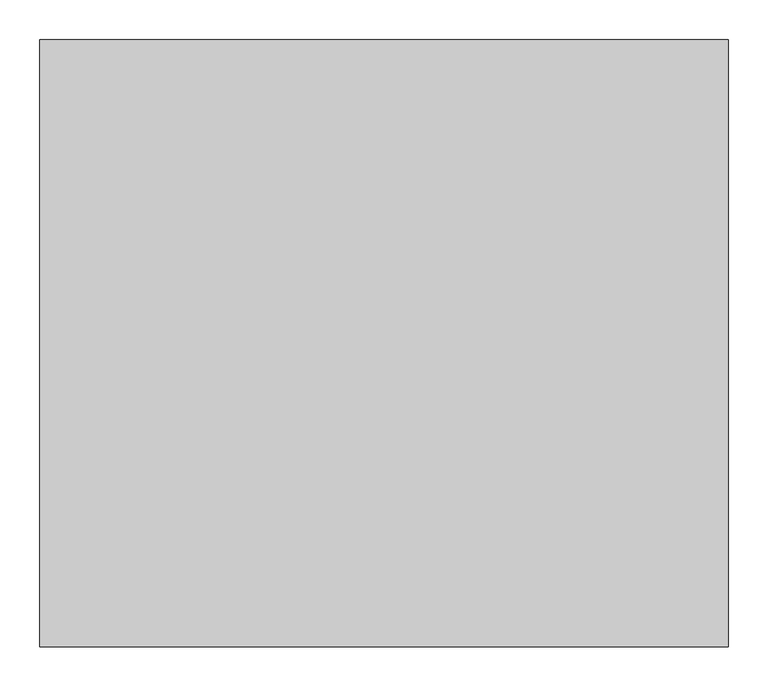
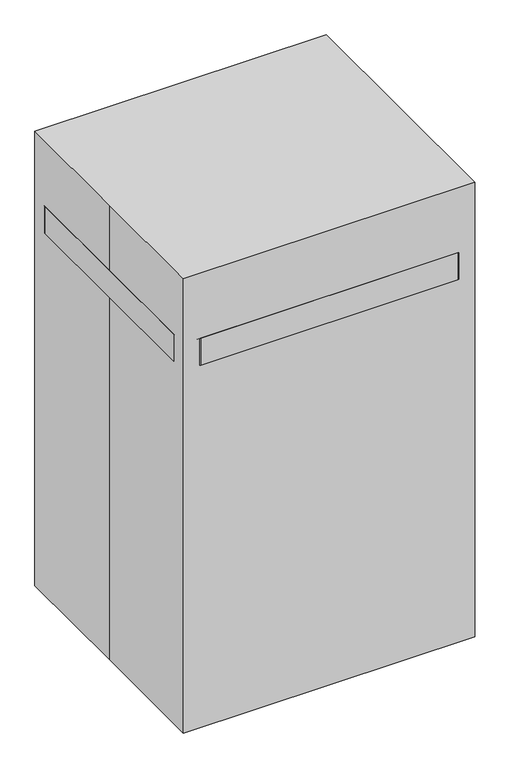
"""IFC4 building model written with IfcOpenShell, lengths in millimetres: proxy geometry."""

import ifcopenshell
import ifcopenshell.guid

model = None  # the IFC model being written
_history = None  # IfcOwnerHistory: only IFC2X3 demands one
_inside = {}  # id of a spatial element -> (the spatial element, [elements in it])
_under = {}  # id of a project, library or spatial element -> (it, [spatial elements below it])
_declared = {}  # id of a project -> (the project, [libraries it declares])
_typed = {}  # id of a type object -> (the type object, [elements of that type])
_made_of = {}  # id of a material, layer set ... -> (it, [elements and type objects made of it])


def new_model(schema):
    """Start an empty IFC model of exactly this schema.

    Asked for "IFC4X3", IfcOpenShell would pick the latest addendum, in which some entities
    have other attributes; the version numbers below select the first issue.
    IFC2X3 requires an IfcOwnerHistory on every rooted entity: one is made here for all.
    """
    global model, _history
    if schema == "IFC4X3":
        model = ifcopenshell.file(schema_version=(4, 3, 0, 0))
    else:
        model = ifcopenshell.file(schema=schema)
    _inside.clear()
    _under.clear()
    _declared.clear()
    _typed.clear()
    _made_of.clear()
    _history = None
    if model.schema == "IFC2X3":
        org = make("IfcOrganization", Name="unknown")
        user = make(
            "IfcPersonAndOrganization",
            ThePerson=make("IfcPerson", FamilyName="unknown"),
            TheOrganization=org,
        )
        app = make(
            "IfcApplication",
            ApplicationDeveloper=org,
            Version="unknown",
            ApplicationFullName="unknown",
            ApplicationIdentifier="unknown",
        )
        _history = make(
            "IfcOwnerHistory",
            OwningUser=user,
            OwningApplication=app,
            ChangeAction="ADDED",
            CreationDate=0,
        )
    return model


def make(cls, **values):
    """One entity of the class cls with the attributes given. An attribute that is None is left unset."""
    return model.create_entity(
        cls, **{name: value for name, value in values.items() if value is not None}
    )


def rooted(cls, **values):
    """An entity with a GlobalId (a new one), such as an element, a storey or a relation."""
    return make(cls, GlobalId=ifcopenshell.guid.new(), OwnerHistory=_history, **values)


def si_unit(unit_type, name, prefix=None):
    """IfcSIUnit, for example si_unit("LENGTHUNIT", "METRE", prefix="MILLI")."""
    return make("IfcSIUnit", UnitType=unit_type, Prefix=prefix, Name=name)


def assignment(units):
    """IfcUnitAssignment: the units of a project."""
    return None if units is None else make("IfcUnitAssignment", Units=units)


def point(xyz):
    """IfcCartesianPoint."""
    return None if xyz is None else make("IfcCartesianPoint", Coordinates=xyz)


def direction(xyz):
    """IfcDirection."""
    return None if xyz is None else make("IfcDirection", DirectionRatios=xyz)


def frame(location, z_axis=None, x_axis=None):
    """IfcAxis2Placement3D, a coordinate frame: its origin and axes. An axis left out is left unset."""
    return make(
        "IfcAxis2Placement3D",
        Location=point(location),
        Axis=direction(z_axis),
        RefDirection=direction(x_axis),
    )


def frame_2d(location, x_axis=None):
    """IfcAxis2Placement2D, a coordinate frame in the plane: its origin and x axis."""
    return make(
        "IfcAxis2Placement2D", Location=point(location), RefDirection=direction(x_axis)
    )


def origin():
    """The frame at (0, 0, 0) with its axes left unset."""
    return frame((0.0, 0.0, 0.0))


def origin_with_axes():
    """The frame at (0, 0, 0) with the z axis (0, 0, 1) and the x axis (1, 0, 0) written out."""
    return frame((0.0, 0.0, 0.0), z_axis=(0.0, 0.0, 1.0), x_axis=(1.0, 0.0, 0.0))


def place(relative_to, where):
    """IfcLocalPlacement: puts the frame where relative to a parent placement (None: the world)."""
    return make(
        "IfcLocalPlacement", PlacementRelTo=relative_to, RelativePlacement=where
    )


def context(
    kind, dimensions, precision=None, world=None, true_north=None, identifier=None
):
    """IfcGeometricRepresentationContext, for example the 3D "Model" context."""
    return make(
        "IfcGeometricRepresentationContext",
        ContextIdentifier=identifier,
        ContextType=kind,
        CoordinateSpaceDimension=dimensions,
        Precision=precision,
        WorldCoordinateSystem=world,
        TrueNorth=true_north,
    )


def project(units=None, contexts=None):
    """IfcProject with its units and contexts."""
    return rooted(
        "IfcProject",
        Name="project",
        RepresentationContexts=contexts,
        UnitsInContext=assignment(units),
    )


def spatial(cls, under=None, at=None, **own):
    """A site, building, storey or space (cls), placed at a placement, below another one or the project."""
    s = rooted(cls, ObjectPlacement=at, **own)
    if under is not None:
        _under.setdefault(under.id(), (under, []))[1].append(s)
    return s


def polyline(points):
    """IfcPolyline through the points."""
    return make("IfcPolyline", Points=[point(p) for p in points])


def circle_curve(where, radius):
    """IfcCircle in the frame where."""
    return make("IfcCircle", Position=where, Radius=radius)


def trimmed(basis, trim1, trim2, sense, master):
    """IfcTrimmedCurve: the piece of a basis curve between two trims."""
    return make(
        "IfcTrimmedCurve",
        BasisCurve=basis,
        Trim1=trim1,
        Trim2=trim2,
        SenseAgreement=sense,
        MasterRepresentation=master,
    )


def segment(curve, same_sense, transition):
    """IfcCompositeCurveSegment."""
    return make(
        "IfcCompositeCurveSegment",
        Transition=transition,
        SameSense=same_sense,
        ParentCurve=curve,
    )


def composite_curve(segments, self_intersect=None):
    """IfcCompositeCurve: segments joined end to end."""
    return make("IfcCompositeCurve", Segments=segments, SelfIntersect=self_intersect)


def outline(outer, holes=None, kind="AREA"):
    """IfcArbitraryClosedProfileDef: a profile drawn as a closed curve; with holes, ...WithVoids."""
    if holes is None:
        return make("IfcArbitraryClosedProfileDef", ProfileType=kind, OuterCurve=outer)
    return make(
        "IfcArbitraryProfileDefWithVoids",
        ProfileType=kind,
        OuterCurve=outer,
        InnerCurves=holes,
    )


def extrude(swept, where, along, depth):
    """IfcExtrudedAreaSolid: the profile swept, set in the frame where, extruded along a direction by depth."""
    return make(
        "IfcExtrudedAreaSolid",
        SweptArea=swept,
        Position=where,
        ExtrudedDirection=direction(along),
        Depth=depth,
    )


def shape(context_of_items, identifier, shape_type, items):
    """IfcShapeRepresentation: the items that make up one representation, for example the "Body"."""
    return make(
        "IfcShapeRepresentation",
        ContextOfItems=context_of_items,
        RepresentationIdentifier=identifier,
        RepresentationType=shape_type,
        Items=items,
    )


def source(mapping_origin, context_of_items, identifier, shape_type, items):
    """IfcRepresentationMap: a shape defined once, which mapped items show again and again."""
    return make(
        "IfcRepresentationMap",
        MappingOrigin=mapping_origin,
        MappedRepresentation=shape(context_of_items, identifier, shape_type, items),
    )


def transform(
    local_origin,
    x_axis=None,
    y_axis=None,
    z_axis=None,
    scale=None,
    scale2=None,
    scale3=None,
    uniform=True,
):
    """IfcCartesianTransformationOperator3D, or its non-uniform kind. x_axis, y_axis, z_axis: its Axis1, 2, 3."""
    if uniform:
        return make(
            "IfcCartesianTransformationOperator3D",
            Axis1=direction(x_axis),
            Axis2=direction(y_axis),
            LocalOrigin=point(local_origin),
            Scale=scale,
            Axis3=direction(z_axis),
        )
    return make(
        "IfcCartesianTransformationOperator3DnonUniform",
        Axis1=direction(x_axis),
        Axis2=direction(y_axis),
        LocalOrigin=point(local_origin),
        Scale=scale,
        Axis3=direction(z_axis),
        Scale2=scale2,
        Scale3=scale3,
    )


def mapped(mapping_source, mapping_target):
    """IfcMappedItem: shows the shape of a source again, moved by a transform."""
    return make(
        "IfcMappedItem", MappingSource=mapping_source, MappingTarget=mapping_target
    )


def made_of(thing, what):
    """Note that an element or type object is made of a material, layer set ...; save() writes the relation."""
    if what is not None:
        _made_of.setdefault(what.id(), (what, []))[1].append(thing)
    return thing


def element(
    cls,
    number,
    at=None,
    inside=None,
    cuts=None,
    type_object=None,
    material=None,
    context=None,
    identifier="Body",
    shape_type=None,
    held_by="IfcProductDefinitionShape",
    body=None,
    shapes=None,
    **own,
):
    """One element of the class cls, such as IfcWall. Its Tag is "e" and its number.

    at: its placement. inside: the storey or other place that contains it. cuts: it is an
    opening in that element (IfcRelVoidsElement). A single representation is given by context,
    identifier, shape_type and body (its items); several are given by shapes. held_by: the class
    of the entity that holds the representations. save() writes the other relations.
    """
    e = rooted(cls, Tag="e%d" % number, ObjectPlacement=at, **own)
    if body is not None:
        shapes = [shape(context, identifier, shape_type, body)]
    if shapes is not None:
        e.Representation = make(held_by, Representations=shapes)
    if inside is not None:
        _inside.setdefault(inside.id(), (inside, []))[1].append(e)
    if cuts is not None:
        rooted(
            "IfcRelVoidsElement", RelatingBuildingElement=cuts, RelatedOpeningElement=e
        )
    if type_object is not None:
        _typed.setdefault(type_object.id(), (type_object, []))[1].append(e)
    return made_of(e, material)


def aggregate(whole, parts):
    """IfcRelAggregates: a whole, such as a stair, and the parts it consists of."""
    return rooted("IfcRelAggregates", RelatingObject=whole, RelatedObjects=parts)


def save(model, path):
    """Write the relations noted so far, then the file.

    IfcRelAggregates (storeys below a building ...), IfcRelContainedInSpatialStructure (elements
    in a storey), IfcRelDefinesByType, IfcRelAssociatesMaterial and IfcRelDeclares: one each for
    every whole, place, type object, material and project.
    """
    for whole, parts in _under.values():
        aggregate(whole, parts)
    for where, things in _inside.values():
        rooted(
            "IfcRelContainedInSpatialStructure",
            RelatedElements=things,
            RelatingStructure=where,
        )
    for kind, things in _typed.values():
        rooted("IfcRelDefinesByType", RelatedObjects=things, RelatingType=kind)
    for what, things in _made_of.values():
        rooted("IfcRelAssociatesMaterial", RelatedObjects=things, RelatingMaterial=what)
    for by, libraries in _declared.values():
        rooted("IfcRelDeclares", RelatingContext=by, RelatedDefinitions=libraries)
    model.write(path)


def specialty_equipment_2a4dddcc(model_context):
    return source(origin(), model_context, "Body", "SweptSolid", [
        extrude(outline(polyline([(374.65, -31.75), (311.15, -31.75), (311.15, 31.75), (374.65, 31.75), (374.65, -31.75)])), frame((0.0, 0.0, 171.69085), z_axis=(0.0, 0.0, 1.0), x_axis=(1.0, 0.0, 0.0)), (0.0, 0.0, 1.0), 277.1108167),
        extrude(outline(polyline([(381.0, -38.1), (304.8, -38.1), (304.8, 38.1), (381.0, 38.1), (381.0, -38.1)])), frame((0.0, 0.0, 448.8016667), z_axis=(0.0, 0.0, 1.0), x_axis=(1.0, 0.0, 0.0)), (0.0, 0.0, 1.0), 609.6),
        extrude(outline(polyline([(374.65, -311.15), (311.15, -311.15), (311.15, 308.1882821), (374.65, 308.1882821), (374.65, -311.15)])), frame((0.0, 0.0, 108.19085), z_axis=(0.0, 0.0, 1.0), x_axis=(1.0, 0.0, 0.0)), (0.0, 0.0, 1.0), 63.5),
        extrude(outline(polyline([(-311.15, -31.75), (-374.65, -31.75), (-374.65, 31.75), (-311.15, 31.75), (-311.15, -31.75)])), frame((0.0, 0.0, 171.69085), z_axis=(0.0, 0.0, 1.0), x_axis=(1.0, 0.0, 0.0)), (0.0, 0.0, 1.0), 277.1108167),
        extrude(outline(polyline([(-304.8, -38.1), (-381.0, -38.1), (-381.0, 38.1), (-304.8, 38.1), (-304.8, -38.1)])), frame((0.0, 0.0, 448.8016667), z_axis=(0.0, 0.0, 1.0), x_axis=(1.0, 0.0, 0.0)), (0.0, 0.0, 1.0), 609.6),
        extrude(outline(polyline([(-311.15, -311.15), (-374.65, -311.15), (-374.65, 308.1882821), (-311.15, 308.1882821), (-311.15, -311.15)])), frame((0.0, 0.0, 108.19085), z_axis=(0.0, 0.0, 1.0), x_axis=(1.0, 0.0, 0.0)), (0.0, 0.0, 1.0), 63.5),
        extrude(outline(composite_curve([segment(trimmed(circle_curve(frame_2d((50.8, -325.9666667)), 50.8), [point((50.8, -376.7666667))], [point((50.8, -275.1666667))], False, "CARTESIAN"), True, "CONTINUOUS"), segment(trimmed(circle_curve(frame_2d((50.8, -325.9666667)), 50.8), [point((50.8, -275.1666667))], [point((50.8, -376.7666667))], False, "CARTESIAN"), True, "CONTINUOUS")], self_intersect=False)), frame((0.0, -273.05, 0.0), z_axis=(0.0, 1.0, 0.0), x_axis=(0.0, 0.0, 1.0)), (0.0, 0.0, 1.0), 19.05),
        extrude(outline(composite_curve([segment(trimmed(circle_curve(frame_2d((50.8, -325.9666667)), 50.8), [point((50.8, -376.7666667))], [point((50.8, -275.1666667))], False, "CARTESIAN"), True, "CONTINUOUS"), segment(trimmed(circle_curve(frame_2d((50.8, -325.9666667)), 50.8), [point((50.8, -275.1666667))], [point((50.8, -376.7666667))], False, "CARTESIAN"), True, "CONTINUOUS")], self_intersect=False)), frame((0.0, -330.2, 0.0), z_axis=(0.0, 1.0, 0.0), x_axis=(0.0, 0.0, 1.0)), (0.0, 0.0, 1.0), 19.05),
        extrude(outline(composite_curve([segment(trimmed(circle_curve(frame_2d((-342.9, -292.1)), 16.9333333), [point((-342.9, -309.0333333))], [point((-342.9, -275.1666667))], False, "CARTESIAN"), True, "CONTINUOUS"), segment(trimmed(circle_curve(frame_2d((-342.9, -292.1)), 16.9333333), [point((-342.9, -275.1666667))], [point((-342.9, -309.0333333))], False, "CARTESIAN"), True, "CONTINUOUS")], self_intersect=False)), frame((0.0, 0.0, 50.8), z_axis=(0.0, 0.0, 1.0), x_axis=(1.0, 0.0, 0.0)), (0.0, 0.0, 1.0), 57.39085),
        extrude(outline(composite_curve([segment(trimmed(circle_curve(frame_2d((50.8, -325.9666667)), 33.8666667), [point((50.8, -292.1))], [point((50.8, -359.8333333))], False, "CARTESIAN"), True, "CONTINUOUS"), segment(trimmed(circle_curve(frame_2d((50.8, -325.9666667)), 33.8666667), [point((50.8, -359.8333333))], [point((50.8, -292.1))], False, "CARTESIAN"), True, "CONTINUOUS")], self_intersect=False)), frame((0.0, -311.15, 0.0), z_axis=(0.0, 1.0, 0.0), x_axis=(0.0, 0.0, 1.0)), (0.0, 0.0, 1.0), 38.1),
        extrude(outline(composite_curve([segment(trimmed(circle_curve(frame_2d((50.8, -325.9666667)), 50.8), [point((50.8, -376.7666667))], [point((50.8, -275.1666667))], False, "CARTESIAN"), True, "CONTINUOUS"), segment(trimmed(circle_curve(frame_2d((50.8, -325.9666667)), 50.8), [point((50.8, -275.1666667))], [point((50.8, -376.7666667))], False, "CARTESIAN"), True, "CONTINUOUS")], self_intersect=False)), frame((0.0, 251.0382821, 0.0), z_axis=(0.0, 1.0, 0.0), x_axis=(0.0, 0.0, 1.0)), (0.0, 0.0, 1.0), 19.05),
        extrude(outline(composite_curve([segment(trimmed(circle_curve(frame_2d((50.8, -325.9666667)), 50.8), [point((50.8, -376.7666667))], [point((50.8, -275.1666667))], False, "CARTESIAN"), True, "CONTINUOUS"), segment(trimmed(circle_curve(frame_2d((50.8, -325.9666667)), 50.8), [point((50.8, -275.1666667))], [point((50.8, -376.7666667))], False, "CARTESIAN"), True, "CONTINUOUS")], self_intersect=False)), frame((0.0, 308.1882821, 0.0), z_axis=(0.0, 1.0, 0.0), x_axis=(0.0, 0.0, 1.0)), (0.0, 0.0, 1.0), 19.05),
        extrude(outline(composite_curve([segment(trimmed(circle_curve(frame_2d((-342.9, 288.925)), 16.9333333), [point((-342.9, 305.8583333))], [point((-342.9, 271.9916667))], False, "CARTESIAN"), True, "CONTINUOUS"), segment(trimmed(circle_curve(frame_2d((-342.9, 288.925)), 16.9333333), [point((-342.9, 271.9916667))], [point((-342.9, 305.8583333))], False, "CARTESIAN"), True, "CONTINUOUS")], self_intersect=False)), frame((0.0, 0.0, 50.8), z_axis=(0.0, 0.0, 1.0), x_axis=(1.0, 0.0, 0.0)), (0.0, 0.0, 1.0), 57.39085),
        extrude(outline(composite_curve([segment(trimmed(circle_curve(frame_2d((50.8, -325.9666667)), 33.8666667), [point((50.8, -292.1))], [point((50.8, -359.8333333))], False, "CARTESIAN"), True, "CONTINUOUS"), segment(trimmed(circle_curve(frame_2d((50.8, -325.9666667)), 33.8666667), [point((50.8, -359.8333333))], [point((50.8, -292.1))], False, "CARTESIAN"), True, "CONTINUOUS")], self_intersect=False)), frame((0.0, 270.0882821, 0.0), z_axis=(0.0, 1.0, 0.0), x_axis=(0.0, 0.0, 1.0)), (0.0, 0.0, 1.0), 38.1),
        extrude(outline(polyline([(381.0, -254.0), (304.8, -254.0), (304.8, 251.0382821), (381.0, 251.0382821), (381.0, -254.0)])), frame((0.0, 0.0, 1058.4016667), z_axis=(0.0, 0.0, 1.0), x_axis=(1.0, 0.0, 0.0)), (0.0, 0.0, 1.0), 76.2),
        extrude(outline(polyline([(-304.8, -254.0), (-381.0, -254.0), (-381.0, 251.0382821), (-304.8, 251.0382821), (-304.8, -254.0)])), frame((0.0, 0.0, 1058.4016667), z_axis=(0.0, 0.0, 1.0), x_axis=(1.0, 0.0, 0.0)), (0.0, 0.0, 1.0), 76.2),
        extrude(outline(polyline([(381.0, -254.0), (381.0, -330.2), (-381.0, -330.2), (-381.0, -254.0), (381.0, -254.0)])), frame((0.0, 0.0, 1058.4016667), z_axis=(0.0, 0.0, 1.0), x_axis=(1.0, 0.0, 0.0)), (0.0, 0.0, 1.0), 76.2),
        extrude(outline(polyline([(381.0, 327.2382821), (381.0, 251.0382821), (-381.0, 251.0382821), (-381.0, 327.2382821), (381.0, 327.2382821)])), frame((0.0, 0.0, 1058.4016667), z_axis=(0.0, 0.0, 1.0), x_axis=(1.0, 0.0, 0.0)), (0.0, 0.0, 1.0), 76.2),
        extrude(outline(composite_curve([segment(trimmed(circle_curve(frame_2d((50.8, 325.9666667)), 50.8), [point((50.8, 376.7666667))], [point((50.8, 275.1666667))], False, "CARTESIAN"), True, "CONTINUOUS"), segment(trimmed(circle_curve(frame_2d((50.8, 325.9666667)), 50.8), [point((50.8, 275.1666667))], [point((50.8, 376.7666667))], False, "CARTESIAN"), True, "CONTINUOUS")], self_intersect=False)), frame((0.0, -273.05, 0.0), z_axis=(0.0, 1.0, 0.0), x_axis=(0.0, 0.0, 1.0)), (0.0, 0.0, 1.0), 19.05),
        extrude(outline(composite_curve([segment(trimmed(circle_curve(frame_2d((50.8, 325.9666667)), 50.8), [point((50.8, 376.7666667))], [point((50.8, 275.1666667))], False, "CARTESIAN"), True, "CONTINUOUS"), segment(trimmed(circle_curve(frame_2d((50.8, 325.9666667)), 50.8), [point((50.8, 275.1666667))], [point((50.8, 376.7666667))], False, "CARTESIAN"), True, "CONTINUOUS")], self_intersect=False)), frame((0.0, -330.2, 0.0), z_axis=(0.0, 1.0, 0.0), x_axis=(0.0, 0.0, 1.0)), (0.0, 0.0, 1.0), 19.05),
        extrude(outline(composite_curve([segment(trimmed(circle_curve(frame_2d((342.9, -292.1)), 16.9333333), [point((342.9, -309.0333333))], [point((342.9, -275.1666667))], False, "CARTESIAN"), True, "CONTINUOUS"), segment(trimmed(circle_curve(frame_2d((342.9, -292.1)), 16.9333333), [point((342.9, -275.1666667))], [point((342.9, -309.0333333))], False, "CARTESIAN"), True, "CONTINUOUS")], self_intersect=False)), frame((0.0, 0.0, 50.8), z_axis=(0.0, 0.0, 1.0), x_axis=(1.0, 0.0, 0.0)), (0.0, 0.0, 1.0), 57.39085),
        extrude(outline(composite_curve([segment(trimmed(circle_curve(frame_2d((50.8, 325.9666667)), 33.8666667), [point((50.8, 292.1))], [point((50.8, 359.8333333))], False, "CARTESIAN"), True, "CONTINUOUS"), segment(trimmed(circle_curve(frame_2d((50.8, 325.9666667)), 33.8666667), [point((50.8, 359.8333333))], [point((50.8, 292.1))], False, "CARTESIAN"), True, "CONTINUOUS")], self_intersect=False)), frame((0.0, -311.15, 0.0), z_axis=(0.0, 1.0, 0.0), x_axis=(0.0, 0.0, 1.0)), (0.0, 0.0, 1.0), 38.1),
        extrude(outline(composite_curve([segment(trimmed(circle_curve(frame_2d((50.8, 325.9666667)), 50.8), [point((50.8, 376.7666667))], [point((50.8, 275.1666667))], False, "CARTESIAN"), True, "CONTINUOUS"), segment(trimmed(circle_curve(frame_2d((50.8, 325.9666667)), 50.8), [point((50.8, 275.1666667))], [point((50.8, 376.7666667))], False, "CARTESIAN"), True, "CONTINUOUS")], self_intersect=False)), frame((0.0, 251.0382821, 0.0), z_axis=(0.0, 1.0, 0.0), x_axis=(0.0, 0.0, 1.0)), (0.0, 0.0, 1.0), 19.05),
        extrude(outline(composite_curve([segment(trimmed(circle_curve(frame_2d((50.8, 325.9666667)), 50.8), [point((50.8, 376.7666667))], [point((50.8, 275.1666667))], False, "CARTESIAN"), True, "CONTINUOUS"), segment(trimmed(circle_curve(frame_2d((50.8, 325.9666667)), 50.8), [point((50.8, 275.1666667))], [point((50.8, 376.7666667))], False, "CARTESIAN"), True, "CONTINUOUS")], self_intersect=False)), frame((0.0, 308.1882821, 0.0), z_axis=(0.0, 1.0, 0.0), x_axis=(0.0, 0.0, 1.0)), (0.0, 0.0, 1.0), 19.05),
        extrude(outline(composite_curve([segment(trimmed(circle_curve(frame_2d((342.9, 289.71875)), 16.9333333), [point((342.9, 306.6520833))], [point((342.9, 272.7854167))], False, "CARTESIAN"), True, "CONTINUOUS"), segment(trimmed(circle_curve(frame_2d((342.9, 289.71875)), 16.9333333), [point((342.9, 272.7854167))], [point((342.9, 306.6520833))], False, "CARTESIAN"), True, "CONTINUOUS")], self_intersect=False)), frame((0.0, 0.0, 50.8), z_axis=(0.0, 0.0, 1.0), x_axis=(1.0, 0.0, 0.0)), (0.0, 0.0, 1.0), 57.39085),
        extrude(outline(composite_curve([segment(trimmed(circle_curve(frame_2d((50.8, 325.9666667)), 33.8666667), [point((50.8, 292.1))], [point((50.8, 359.8333333))], False, "CARTESIAN"), True, "CONTINUOUS"), segment(trimmed(circle_curve(frame_2d((50.8, 325.9666667)), 33.8666667), [point((50.8, 359.8333333))], [point((50.8, 292.1))], False, "CARTESIAN"), True, "CONTINUOUS")], self_intersect=False)), frame((0.0, 270.0882821, 0.0), z_axis=(0.0, 1.0, 0.0), x_axis=(0.0, 0.0, 1.0)), (0.0, 0.0, 1.0), 38.1),
        extrude(outline(composite_curve([segment(trimmed(circle_curve(frame_2d((381.0, 330.2)), 50.8), [point((381.0, 381.0))], [point((431.8, 330.2))], False, "CARTESIAN"), True, "CONTINUOUS"), segment(polyline([(431.8, 330.2), (431.8, -330.2)]), True, "CONTINUOUS"), segment(trimmed(circle_curve(frame_2d((381.0, -330.2)), 50.8), [point((431.8, -330.2))], [point((381.0, -381.0))], False, "CARTESIAN"), True, "CONTINUOUS"), segment(polyline([(381.0, -381.0), (-381.0, -381.0)]), True, "CONTINUOUS"), segment(trimmed(circle_curve(frame_2d((-381.0, -330.2)), 50.8), [point((-381.0, -381.0))], [point((-431.8, -330.2))], False, "CARTESIAN"), True, "CONTINUOUS"), segment(polyline([(-431.8, -330.2), (-431.8, 330.2)]), True, "CONTINUOUS"), segment(trimmed(circle_curve(frame_2d((-381.0, 330.2)), 50.8), [point((-431.8, 330.2))], [point((-381.0, 381.0))], False, "CARTESIAN"), True, "CONTINUOUS"), segment(polyline([(-381.0, 381.0), (381.0, 381.0)]), True, "CONTINUOUS")], self_intersect=False)), frame((0.0, 0.0, 1134.6016667), z_axis=(0.0, 0.0, 1.0), x_axis=(1.0, 0.0, 0.0)), (0.0, 0.0, 1.0), 84.5983333),
        extrude(outline(polyline([(-431.8, 381.0), (431.8, 381.0), (431.8, -381.0), (-431.8, -381.0), (-431.8, 0.0), (-431.8, 381.0)])), origin_with_axes(), (0.0, 0.0, 1.0), 1422.4),
    ])


if __name__ == "__main__":
    model = new_model("IFC4")
    model_context = context("Model", 3, world=origin())
    ifc_project = project(units=[si_unit("LENGTHUNIT", "METRE", prefix="MILLI")], contexts=[model_context])
    site = spatial("IfcSite", under=ifc_project)
    building = spatial("IfcBuilding", under=site)
    placement = place(None, origin())
    specialty_equipment_shape = specialty_equipment_2a4dddcc(model_context)
    element("IfcBuildingElementProxy", 1, Name="Specialty Equipment", at=placement, inside=building, context=model_context, shape_type="MappedRepresentation", body=[
        mapped(specialty_equipment_shape, transform((0.0, 0.0, 0.0), x_axis=(1.0, 0.0, 0.0), y_axis=(0.0, 1.0, 0.0), z_axis=(0.0, 0.0, 1.0))),
    ])
    save(model, "model.ifc")
